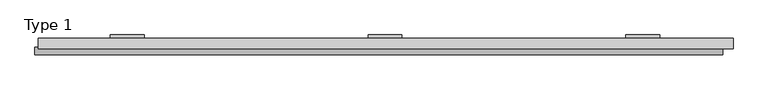
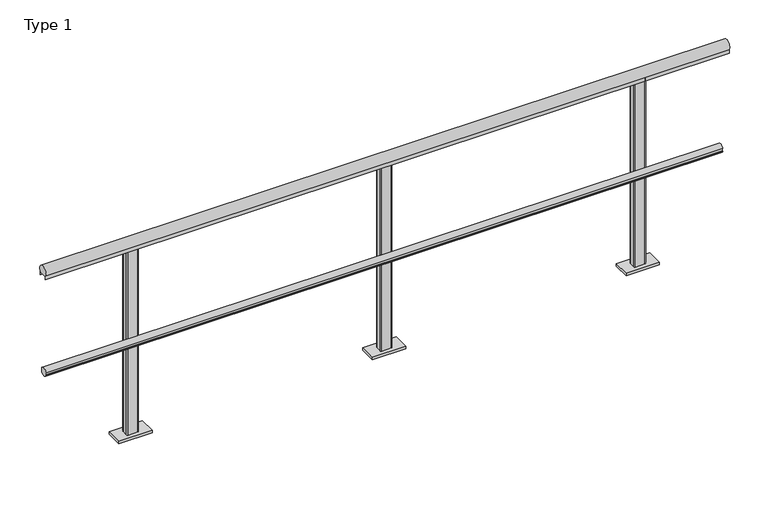
"""IFC4 building model written with IfcOpenShell, lengths in millimetres: railing geometry, Type 1."""

from ifc_helpers import new_model, si_unit, point, frame, frame_2d, origin, place, context, project, spatial, polyline, circle_curve, trimmed, segment, composite_curve, outline, extrude, source, transform, mapped, element, save
from ifc_brep_helpers import plane_surface, cylinder_surface, advanced_brep


def type_1_6676fe62(model_context):
    return source(origin(), model_context, "Body", "SolidModel", [
        extrude(outline(composite_curve([segment(polyline([(-13.3, 480.617273), (-9.3, 480.617273), (-9.3, 495.382727), (-13.3, 495.382727)]), True, "CONTINUOUS"), segment(trimmed(circle_curve(frame_2d((5.287505, 488.0)), 20.0), [point((-13.3, 495.382727))], [point((21.0, 500.3740657))], False, "CARTESIAN"), True, "CONTINUOUS"), segment(polyline([(21.0, 500.3740657), (21.0, 475.6259343)]), True, "CONTINUOUS"), segment(trimmed(circle_curve(frame_2d((5.287505, 488.0)), 20.0), [point((21.0, 475.6259343))], [point((-13.3, 480.617273))], False, "CARTESIAN"), True, "CONTINUOUS")], self_intersect=False)), frame((-410.0, 0.0, 0.0), z_axis=(1.0, 0.0, 0.0), x_axis=(0.0, 1.0, 0.0)), (0.0, 0.0, 1.0), 3260.0),
        extrude(outline(composite_curve([segment(polyline([(61.0, 961.43534), (61.0, 943.0), (60.0, 943.0), (60.0, 958.0), (20.0, 958.0), (20.0, 943.0), (19.0, 943.0), (19.0, 961.43534)]), True, "CONTINUOUS"), segment(trimmed(circle_curve(frame_2d((40.0, 975.0)), 25.0), [point((19.0, 961.43534))], [point((61.0, 961.43534))], False, "CARTESIAN"), True, "CONTINUOUS")], self_intersect=False)), frame((-395.0, 0.0, 0.0), z_axis=(1.0, 0.0, 0.0), x_axis=(0.0, 1.0, 0.0)), (0.0, 0.0, 1.0), 3295.0),
        advanced_brep(
        [(1227.0, 59.0, 958.0), (1222.0, 54.0, 958.0), (1222.0, 26.0, 958.0), (1227.0, 21.0, 958.0), (1273.0, 21.0, 958.0), (1278.0, 26.0, 958.0), (1278.0, 54.0, 958.0), (1273.0, 59.0, 958.0), (1170.0, 80.0, 0.0), (1330.0, 80.0, 0.0), (1330.0, 0.0, 0.0), (1170.0, 0.0, 0.0), (1273.0, 59.0, 11.0), (1227.0, 59.0, 11.0), (1278.0, 54.0, 11.0), (1278.0, 26.0, 11.0), (1273.0, 21.0, 11.0), (1227.0, 21.0, 11.0), (1222.0, 26.0, 11.0), (1222.0, 54.0, 11.0), (1170.0, 80.0, 11.0), (1170.0, 0.0, 11.0), (1330.0, 0.0, 11.0), (1330.0, 80.0, 11.0)],
        [
            (0, 1, circle_curve(frame((1227.0, 54.0, 958.0), z_axis=(0.0, 0.0, 1.0), x_axis=(-1.0, 0.0, 0.0)), 5.0)),
            (1, 2),
            (2, 3, circle_curve(frame((1227.0, 26.0, 958.0), z_axis=(0.0, 0.0, 1.0), x_axis=(-1.0, 0.0, 0.0)), 5.0)),
            (3, 4),
            (4, 5, circle_curve(frame((1273.0, 26.0, 958.0), z_axis=(0.0, 0.0, 1.0), x_axis=(-1.0, 0.0, 0.0)), 5.0)),
            (5, 6),
            (6, 7, circle_curve(frame((1273.0, 54.0, 958.0), z_axis=(0.0, 0.0, 1.0), x_axis=(-1.0, 0.0, 0.0)), 5.0)),
            (7, 0),
            (8, 9),
            (9, 10),
            (10, 11),
            (11, 8),
            (7, 12),
            (12, 13),
            (13, 0),
            (6, 14),
            (14, 12, circle_curve(frame((1273.0, 54.0, 11.0), z_axis=(0.0, 0.0, 1.0), x_axis=(-1.0, 0.0, 0.0)), 5.0)),
            (5, 15),
            (15, 14),
            (4, 16),
            (16, 15, circle_curve(frame((1273.0, 26.0, 11.0), z_axis=(0.0, 0.0, 1.0), x_axis=(-1.0, 0.0, 0.0)), 5.0)),
            (3, 17),
            (17, 16),
            (2, 18),
            (18, 17, circle_curve(frame((1227.0, 26.0, 11.0), z_axis=(0.0, 0.0, 1.0), x_axis=(-1.0, 0.0, 0.0)), 5.0)),
            (1, 19),
            (19, 18),
            (13, 19, circle_curve(frame((1227.0, 54.0, 11.0), z_axis=(0.0, 0.0, 1.0), x_axis=(-1.0, 0.0, 0.0)), 5.0)),
            (20, 21),
            (21, 22),
            (22, 23),
            (23, 20),
            (23, 9),
            (8, 20),
            (22, 10),
            (21, 11),
        ],
        [
            plane_surface(frame((1273.0, 59.0, 958.0), z_axis=(0.0, 0.0, 1.0), x_axis=(1.0, 0.0, 0.0))),
            plane_surface(frame((1273.0, 59.0, 0.0), z_axis=(0.0, 0.0, -1.0), x_axis=(-1.0, 0.0, 0.0))),
            plane_surface(frame((1227.0, 59.0, 958.0), z_axis=(0.0, 1.0, 0.0), x_axis=(0.0, 0.0, -1.0))),
            cylinder_surface(frame((1273.0, 54.0, 0.0), z_axis=(0.0, 0.0, 1.0), x_axis=(-1.0, 0.0, 0.0)), 5.0),
            plane_surface(frame((1278.0, 54.0, 958.0), z_axis=(1.0, 0.0, 0.0), x_axis=(0.0, 0.0, -1.0))),
            cylinder_surface(frame((1273.0, 26.0, 0.0), z_axis=(0.0, 0.0, 1.0), x_axis=(-1.0, 0.0, 0.0)), 5.0),
            plane_surface(frame((1273.0, 21.0, 958.0), z_axis=(0.0, -1.0, 0.0), x_axis=(0.0, 0.0, -1.0))),
            cylinder_surface(frame((1227.0, 26.0, 0.0), z_axis=(0.0, 0.0, 1.0), x_axis=(-1.0, 0.0, 0.0)), 5.0),
            plane_surface(frame((1222.0, 26.0, 958.0), z_axis=(-1.0, 0.0, 0.0), x_axis=(0.0, 0.0, -1.0))),
            cylinder_surface(frame((1227.0, 54.0, 0.0), z_axis=(0.0, 0.0, 1.0), x_axis=(-1.0, 0.0, 0.0)), 5.0),
            plane_surface(frame((1330.0, 80.0, 11.0), z_axis=(0.0, 0.0, 1.0), x_axis=(1.0, 0.0, 0.0))),
            plane_surface(frame((1170.0, 80.0, 11.0), z_axis=(0.0, 1.0, 0.0), x_axis=(0.0, 0.0, -1.0))),
            plane_surface(frame((1330.0, 80.0, 11.0), z_axis=(1.0, 0.0, 0.0), x_axis=(0.0, 0.0, -1.0))),
            plane_surface(frame((1330.0, 0.0, 11.0), z_axis=(0.0, -1.0, 0.0), x_axis=(0.0, 0.0, -1.0))),
            plane_surface(frame((1170.0, 0.0, 11.0), z_axis=(-1.0, 0.0, 0.0), x_axis=(0.0, 0.0, -1.0))),
        ],
        [
            (0, [[1, 2, 3, 4, 5, 6, 7, 8]]),
            (1, [[9, 10, 11, 12]]),
            (2, [[13, 14, 15, -8]]),
            (3, [[16, 17, -13, -7]]),
            (4, [[18, 19, -16, -6]]),
            (5, [[20, 21, -18, -5]]),
            (6, [[22, 23, -20, -4]]),
            (7, [[24, 25, -22, -3]]),
            (8, [[26, 27, -24, -2]]),
            (9, [[-15, 28, -26, -1]]),
            (10, [[29, 30, 31, 32], [-17, -19, -21, -23, -25, -27, -28, -14]]),
            (11, [[33, -9, 34, -32]]),
            (12, [[35, -10, -33, -31]]),
            (13, [[36, -11, -35, -30]]),
            (14, [[-34, -12, -36, -29]]),
        ],
    ),
        advanced_brep(
        [(2449.0, 59.0, 958.0), (2444.0, 54.0, 958.0), (2444.0, 26.0, 958.0), (2449.0, 21.0, 958.0), (2495.0, 21.0, 958.0), (2500.0, 26.0, 958.0), (2500.0, 54.0, 958.0), (2495.0, 59.0, 958.0), (2392.0, 80.0, 0.0), (2552.0, 80.0, 0.0), (2552.0, 0.0, 0.0), (2392.0, 0.0, 0.0), (2495.0, 59.0, 11.0), (2449.0, 59.0, 11.0), (2500.0, 54.0, 11.0), (2500.0, 26.0, 11.0), (2495.0, 21.0, 11.0), (2449.0, 21.0, 11.0), (2444.0, 26.0, 11.0), (2444.0, 54.0, 11.0), (2392.0, 80.0, 11.0), (2392.0, 0.0, 11.0), (2552.0, 0.0, 11.0), (2552.0, 80.0, 11.0)],
        [
            (0, 1, circle_curve(frame((2449.0, 54.0, 958.0), z_axis=(0.0, 0.0, 1.0), x_axis=(-1.0, 0.0, 0.0)), 5.0)),
            (1, 2),
            (2, 3, circle_curve(frame((2449.0, 26.0, 958.0), z_axis=(0.0, 0.0, 1.0), x_axis=(-1.0, 0.0, 0.0)), 5.0)),
            (3, 4),
            (4, 5, circle_curve(frame((2495.0, 26.0, 958.0), z_axis=(0.0, 0.0, 1.0), x_axis=(-1.0, 0.0, 0.0)), 5.0)),
            (5, 6),
            (6, 7, circle_curve(frame((2495.0, 54.0, 958.0), z_axis=(0.0, 0.0, 1.0), x_axis=(-1.0, 0.0, 0.0)), 5.0)),
            (7, 0),
            (8, 9),
            (9, 10),
            (10, 11),
            (11, 8),
            (7, 12),
            (12, 13),
            (13, 0),
            (6, 14),
            (14, 12, circle_curve(frame((2495.0, 54.0, 11.0), z_axis=(0.0, 0.0, 1.0), x_axis=(-1.0, 0.0, 0.0)), 5.0)),
            (5, 15),
            (15, 14),
            (4, 16),
            (16, 15, circle_curve(frame((2495.0, 26.0, 11.0), z_axis=(0.0, 0.0, 1.0), x_axis=(-1.0, 0.0, 0.0)), 5.0)),
            (3, 17),
            (17, 16),
            (2, 18),
            (18, 17, circle_curve(frame((2449.0, 26.0, 11.0), z_axis=(0.0, 0.0, 1.0), x_axis=(-1.0, 0.0, 0.0)), 5.0)),
            (1, 19),
            (19, 18),
            (13, 19, circle_curve(frame((2449.0, 54.0, 11.0), z_axis=(0.0, 0.0, 1.0), x_axis=(-1.0, 0.0, 0.0)), 5.0)),
            (20, 21),
            (21, 22),
            (22, 23),
            (23, 20),
            (23, 9),
            (8, 20),
            (22, 10),
            (21, 11),
        ],
        [
            plane_surface(frame((2495.0, 59.0, 958.0), z_axis=(0.0, 0.0, 1.0), x_axis=(1.0, 0.0, 0.0))),
            plane_surface(frame((2495.0, 59.0, 0.0), z_axis=(0.0, 0.0, -1.0), x_axis=(-1.0, 0.0, 0.0))),
            plane_surface(frame((2449.0, 59.0, 958.0), z_axis=(0.0, 1.0, 0.0), x_axis=(0.0, 0.0, -1.0))),
            cylinder_surface(frame((2495.0, 54.0, 0.0), z_axis=(0.0, 0.0, 1.0), x_axis=(-1.0, 0.0, 0.0)), 5.0),
            plane_surface(frame((2500.0, 54.0, 958.0), z_axis=(1.0, 0.0, 0.0), x_axis=(0.0, 0.0, -1.0))),
            cylinder_surface(frame((2495.0, 26.0, 0.0), z_axis=(0.0, 0.0, 1.0), x_axis=(-1.0, 0.0, 0.0)), 5.0),
            plane_surface(frame((2495.0, 21.0, 958.0), z_axis=(0.0, -1.0, 0.0), x_axis=(0.0, 0.0, -1.0))),
            cylinder_surface(frame((2449.0, 26.0, 0.0), z_axis=(0.0, 0.0, 1.0), x_axis=(-1.0, 0.0, 0.0)), 5.0),
            plane_surface(frame((2444.0, 26.0, 958.0), z_axis=(-1.0, 0.0, 0.0), x_axis=(0.0, 0.0, -1.0))),
            cylinder_surface(frame((2449.0, 54.0, 0.0), z_axis=(0.0, 0.0, 1.0), x_axis=(-1.0, 0.0, 0.0)), 5.0),
            plane_surface(frame((2552.0, 80.0, 11.0), z_axis=(0.0, 0.0, 1.0), x_axis=(1.0, 0.0, 0.0))),
            plane_surface(frame((2392.0, 80.0, 11.0), z_axis=(0.0, 1.0, 0.0), x_axis=(0.0, 0.0, -1.0))),
            plane_surface(frame((2552.0, 80.0, 11.0), z_axis=(1.0, 0.0, 0.0), x_axis=(0.0, 0.0, -1.0))),
            plane_surface(frame((2552.0, 0.0, 11.0), z_axis=(0.0, -1.0, 0.0), x_axis=(0.0, 0.0, -1.0))),
            plane_surface(frame((2392.0, 0.0, 11.0), z_axis=(-1.0, 0.0, 0.0), x_axis=(0.0, 0.0, -1.0))),
        ],
        [
            (0, [[1, 2, 3, 4, 5, 6, 7, 8]]),
            (1, [[9, 10, 11, 12]]),
            (2, [[13, 14, 15, -8]]),
            (3, [[16, 17, -13, -7]]),
            (4, [[18, 19, -16, -6]]),
            (5, [[20, 21, -18, -5]]),
            (6, [[22, 23, -20, -4]]),
            (7, [[24, 25, -22, -3]]),
            (8, [[26, 27, -24, -2]]),
            (9, [[-15, 28, -26, -1]]),
            (10, [[29, 30, 31, 32], [-17, -19, -21, -23, -25, -27, -28, -14]]),
            (11, [[33, -9, 34, -32]]),
            (12, [[35, -10, -33, -31]]),
            (13, [[36, -11, -35, -30]]),
            (14, [[-34, -12, -36, -29]]),
        ],
    ),
        advanced_brep(
        [(5.0, 59.0, 958.0), (0.0, 54.0, 958.0), (0.0, 26.0, 958.0), (5.0, 21.0, 958.0), (51.0, 21.0, 958.0), (56.0, 26.0, 958.0), (56.0, 54.0, 958.0), (51.0, 59.0, 958.0), (-52.0, 80.0, 0.0), (108.0, 80.0, 0.0), (108.0, 0.0, 0.0), (-52.0, 0.0, 0.0), (51.0, 59.0, 11.0), (5.0, 59.0, 11.0), (56.0, 54.0, 11.0), (56.0, 26.0, 11.0), (51.0, 21.0, 11.0), (5.0, 21.0, 11.0), (0.0, 26.0, 11.0), (0.0, 54.0, 11.0), (-52.0, 80.0, 11.0), (-52.0, 0.0, 11.0), (108.0, 0.0, 11.0), (108.0, 80.0, 11.0)],
        [
            (0, 1, circle_curve(frame((5.0, 54.0, 958.0), z_axis=(0.0, 0.0, 1.0), x_axis=(-1.0, 0.0, 0.0)), 5.0)),
            (1, 2),
            (2, 3, circle_curve(frame((5.0, 26.0, 958.0), z_axis=(0.0, 0.0, 1.0), x_axis=(-1.0, 0.0, 0.0)), 5.0)),
            (3, 4),
            (4, 5, circle_curve(frame((51.0, 26.0, 958.0), z_axis=(0.0, 0.0, 1.0), x_axis=(-1.0, 0.0, 0.0)), 5.0)),
            (5, 6),
            (6, 7, circle_curve(frame((51.0, 54.0, 958.0), z_axis=(0.0, 0.0, 1.0), x_axis=(-1.0, 0.0, 0.0)), 5.0)),
            (7, 0),
            (8, 9),
            (9, 10),
            (10, 11),
            (11, 8),
            (7, 12),
            (12, 13),
            (13, 0),
            (6, 14),
            (14, 12, circle_curve(frame((51.0, 54.0, 11.0), z_axis=(0.0, 0.0, 1.0), x_axis=(-1.0, 0.0, 0.0)), 5.0)),
            (5, 15),
            (15, 14),
            (4, 16),
            (16, 15, circle_curve(frame((51.0, 26.0, 11.0), z_axis=(0.0, 0.0, 1.0), x_axis=(-1.0, 0.0, 0.0)), 5.0)),
            (3, 17),
            (17, 16),
            (2, 18),
            (18, 17, circle_curve(frame((5.0, 26.0, 11.0), z_axis=(0.0, 0.0, 1.0), x_axis=(-1.0, 0.0, 0.0)), 5.0)),
            (1, 19),
            (19, 18),
            (13, 19, circle_curve(frame((5.0, 54.0, 11.0), z_axis=(0.0, 0.0, 1.0), x_axis=(-1.0, 0.0, 0.0)), 5.0)),
            (20, 21),
            (21, 22),
            (22, 23),
            (23, 20),
            (23, 9),
            (8, 20),
            (22, 10),
            (21, 11),
        ],
        [
            plane_surface(frame((51.0, 59.0, 958.0), z_axis=(0.0, 0.0, 1.0), x_axis=(1.0, 0.0, 0.0))),
            plane_surface(frame((51.0, 59.0, 0.0), z_axis=(0.0, 0.0, -1.0), x_axis=(-1.0, 0.0, 0.0))),
            plane_surface(frame((5.0, 59.0, 958.0), z_axis=(0.0, 1.0, 0.0), x_axis=(0.0, 0.0, -1.0))),
            cylinder_surface(frame((51.0, 54.0, 0.0), z_axis=(0.0, 0.0, 1.0), x_axis=(-1.0, 0.0, 0.0)), 5.0),
            plane_surface(frame((56.0, 54.0, 958.0), z_axis=(1.0, 0.0, 0.0), x_axis=(0.0, 0.0, -1.0))),
            cylinder_surface(frame((51.0, 26.0, 0.0), z_axis=(0.0, 0.0, 1.0), x_axis=(-1.0, 0.0, 0.0)), 5.0),
            plane_surface(frame((51.0, 21.0, 958.0), z_axis=(0.0, -1.0, 0.0), x_axis=(0.0, 0.0, -1.0))),
            cylinder_surface(frame((5.0, 26.0, 0.0), z_axis=(0.0, 0.0, 1.0), x_axis=(-1.0, 0.0, 0.0)), 5.0),
            plane_surface(frame((0.0, 26.0, 958.0), z_axis=(-1.0, 0.0, 0.0), x_axis=(0.0, 0.0, -1.0))),
            cylinder_surface(frame((5.0, 54.0, 0.0), z_axis=(0.0, 0.0, 1.0), x_axis=(-1.0, 0.0, 0.0)), 5.0),
            plane_surface(frame((108.0, 80.0, 11.0), z_axis=(0.0, 0.0, 1.0), x_axis=(1.0, 0.0, 0.0))),
            plane_surface(frame((-52.0, 80.0, 11.0), z_axis=(0.0, 1.0, 0.0), x_axis=(0.0, 0.0, -1.0))),
            plane_surface(frame((108.0, 80.0, 11.0), z_axis=(1.0, 0.0, 0.0), x_axis=(0.0, 0.0, -1.0))),
            plane_surface(frame((108.0, 0.0, 11.0), z_axis=(0.0, -1.0, 0.0), x_axis=(0.0, 0.0, -1.0))),
            plane_surface(frame((-52.0, 0.0, 11.0), z_axis=(-1.0, 0.0, 0.0), x_axis=(0.0, 0.0, -1.0))),
        ],
        [
            (0, [[1, 2, 3, 4, 5, 6, 7, 8]]),
            (1, [[9, 10, 11, 12]]),
            (2, [[13, 14, 15, -8]]),
            (3, [[16, 17, -13, -7]]),
            (4, [[18, 19, -16, -6]]),
            (5, [[20, 21, -18, -5]]),
            (6, [[22, 23, -20, -4]]),
            (7, [[24, 25, -22, -3]]),
            (8, [[26, 27, -24, -2]]),
            (9, [[-15, 28, -26, -1]]),
            (10, [[29, 30, 31, 32], [-17, -19, -21, -23, -25, -27, -28, -14]]),
            (11, [[33, -9, 34, -32]]),
            (12, [[35, -10, -33, -31]]),
            (13, [[36, -11, -35, -30]]),
            (14, [[-34, -12, -36, -29]]),
        ],
    ),
    ])


if __name__ == "__main__":
    model = new_model("IFC4")
    model_context = context("Model", 3, world=origin())
    ifc_project = project(units=[si_unit("LENGTHUNIT", "METRE", prefix="MILLI")], contexts=[model_context])
    site = spatial("IfcSite", under=ifc_project)
    building = spatial("IfcBuilding", under=site)
    placement = place(None, origin())
    type_1_shape = type_1_6676fe62(model_context)
    element("IfcRailing", 1, ObjectType="Type 1", at=placement, inside=building, context=model_context, shape_type="MappedRepresentation", body=[
        mapped(type_1_shape, transform((0.0, 0.0, 0.0), x_axis=(1.0, 0.0, 0.0), y_axis=(0.0, 1.0, 0.0), z_axis=(0.0, 0.0, 1.0))),
    ])
    save(model, "model.ifc")
